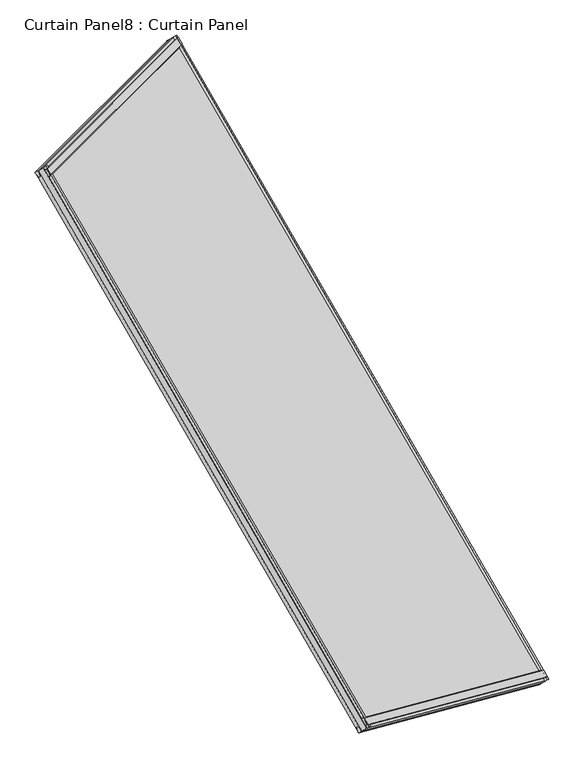
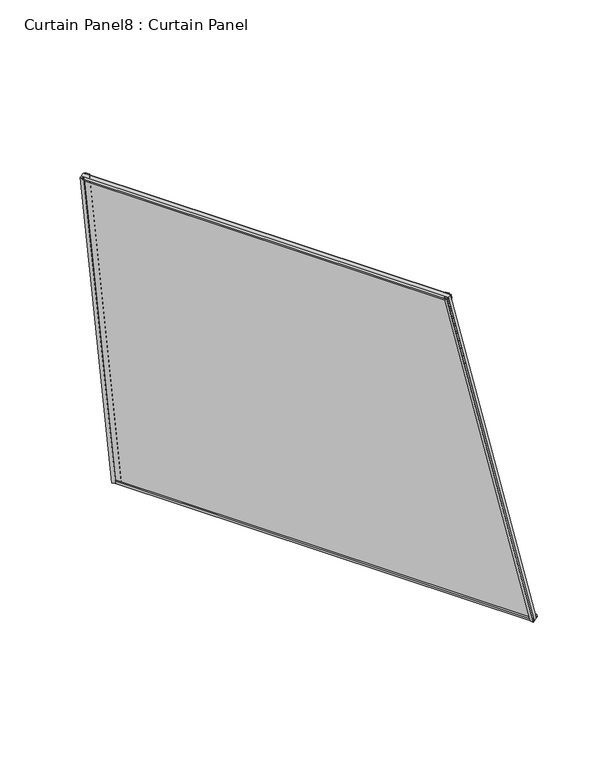
"""IFC4 building model written with IfcOpenShell, lengths in millimetres: plate geometry, Curtain Panel8 : Curtain Panel."""

from ifc_helpers import new_model, si_unit, frame, origin, place, context, project, spatial, polyline, outline, extrude, source, transform, mapped, element, save


def curtain_panel8_curtain_panel_cb571e68(model_context):
    return source(origin(), model_context, "Body", "SweptSolid", [
        extrude(outline(polyline([(22.279479, -5.8689468), (22.2882717, -20.9890896), (17.5121094, -24.0709891), (17.5015261, -5.8717253), (22.279479, -5.8689468)])), frame((-10055.440659, -11568.6847229, 980.3279056), z_axis=(-0.1830127018922206, -0.18301270189221666, 0.9659258262890685), x_axis=(0.838399492950106, 0.48405017294318164, 0.25056280708573087)), (0.0, 0.0, 1.0), 1495.7557782),
        extrude(outline(polyline([(-1.6371094, 0.0), (4.7128906, 0.0), (4.7128906, -11.4749739), (-0.0826892, -12.7161612), (-3.2648368, -0.4212869), (-1.6371094, 0.0)])), frame((-10055.440659, -11568.6847229, 980.3279056), z_axis=(-0.1830127018922206, -0.18301270189221666, 0.9659258262890685), x_axis=(0.838399492950106, 0.48405017294318164, 0.25056280708573087)), (0.0, 0.0, 1.0), 1495.7557782),
        extrude(outline(polyline([(22.2794791, 5.8689468), (17.5015262, 5.8717253), (17.5121094, 24.070989), (22.2882718, 20.9890896), (22.2794791, 5.8689468)])), frame((-9283.0707534, -12906.4686417, 980.3279056), z_axis=(-0.24999999999999145, -0.06698729810779362, 0.9659258262890698), x_axis=(0.8383994929501061, 0.48405017294318153, 0.2505628070857308)), (0.0, 0.0, 1.0), 1495.7557782),
        extrude(outline(polyline([(-1.6371093, -1e-07), (-3.2648368, 0.4212868), (-0.0826891, 12.7161612), (4.7128907, 11.4749739), (4.7128906, 0.0), (-1.6371093, -1e-07)])), frame((-9283.0707534, -12906.4686417, 980.3279056), z_axis=(-0.24999999999999145, -0.06698729810779362, 0.9659258262890698), x_axis=(0.8383994929501061, 0.48405017294318153, 0.2505628070857308)), (0.0, 0.0, 1.0), 1495.7557782),
        extrude(outline(polyline([(4.7128906, 0.0), (4.7128907, -11.5612583), (-0.0992187, -10.3383034), (-0.0992187, 0.0), (4.7128906, 0.0)])), frame((-9283.1132365, -12906.4699866, 980.472655), z_axis=(-0.49999999999999434, 0.8660254037844421, 0.0), x_axis=(0.838399492950106, 0.4840501729431816, 0.25056280708573087)), (0.0, 0.0, 1.0), 1544.6996588),
        extrude(outline(polyline([(17.5121094, -16.9465983), (17.5121095, 0.0), (22.3807369, 1e-07), (22.3807368, -12.4442107), (17.5121094, -16.9465983)])), frame((-9283.1132365, -12906.4699866, 980.472655), z_axis=(-0.49999999999999434, 0.8660254037844421, 0.0), x_axis=(0.838399492950106, 0.4840501729431816, 0.25056280708573087)), (0.0, 0.0, 1.0), 1544.6996588),
        extrude(outline(polyline([(4.7116445, -0.0733898), (-3.0173266, 1.9475885), (-0.2330155, 12.7163114), (4.7116446, 13.7961319), (4.7116445, -0.0733898)])), frame((-9657.0521896, -13006.6666099, 2425.2617909), z_axis=(-0.49999999999999406, 0.8660254037844423, 0.0), x_axis=(0.8383994929501061, 0.48405017294318164, 0.2505628070857308)), (0.0, 0.0, 1.0), 1344.3063478),
        extrude(outline(polyline([(22.1650896, 22.0121168), (22.3114717, 5.3497456), (17.5108633, 4.0840526), (17.5108633, 24.2840284), (22.1650896, 22.0121168)])), frame((-9657.0521896, -13006.6666099, 2425.2617909), z_axis=(-0.49999999999999406, 0.8660254037844423, 0.0), x_axis=(0.8383994929501061, 0.48405017294318164, 0.2505628070857308)), (0.0, 0.0, 1.0), 1344.3063478),
        extrude(outline(polyline([(-69.2031684, 1e-07), (-172.6797697, -1541.2500287), (-1655.0117437, -1341.30687), (-1564.9589465, 0.0), (-69.2031684, 1e-07)])), frame((-10038.8517405, -11553.765814, 914.8084025), z_axis=(0.838399492950106, 0.4840501729431816, 0.2505628070857308), x_axis=(0.18301270189221963, 0.1830127018922183, -0.9659258262890685)), (0.0, 0.0, 1.0), 12.7992188),
    ])


if __name__ == "__main__":
    model = new_model("IFC4")
    model_context = context("Model", 3, world=origin())
    ifc_project = project(units=[si_unit("LENGTHUNIT", "METRE", prefix="MILLI")], contexts=[model_context])
    site = spatial("IfcSite", under=ifc_project)
    building = spatial("IfcBuilding", under=site)
    placement = place(None, origin())
    curtain_panel8_curtain_panel_shape = curtain_panel8_curtain_panel_cb571e68(model_context)
    element("IfcPlate", 1, ObjectType="Curtain Panel8 : Curtain Panel", at=placement, inside=building, context=model_context, shape_type="MappedRepresentation", body=[
        mapped(curtain_panel8_curtain_panel_shape, transform((0.0, 0.0, 0.0), x_axis=(1.0, 0.0, 0.0), y_axis=(0.0, 1.0, 0.0), z_axis=(0.0, 0.0, 1.0))),
    ])
    save(model, "model.ifc")
